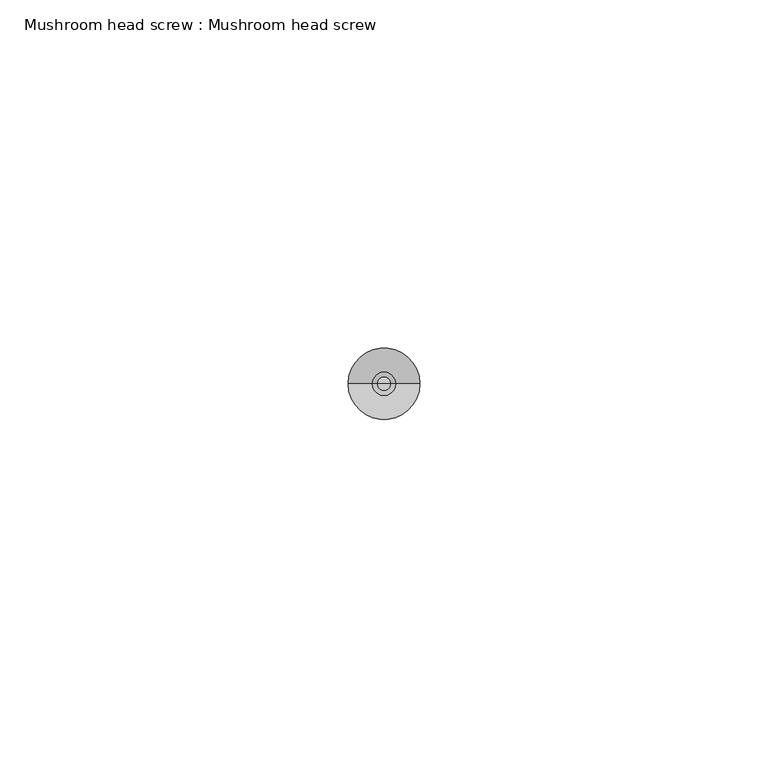
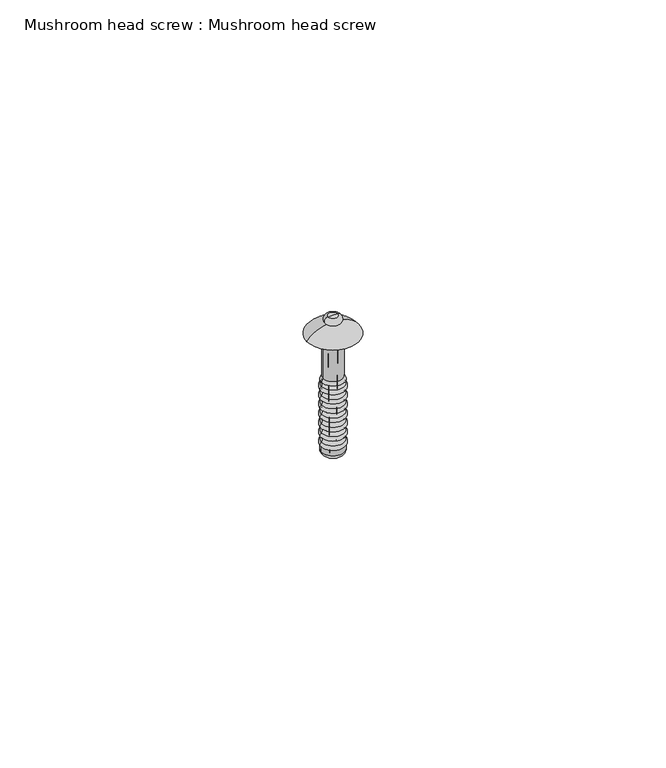
"""IFC4 building model written with IfcOpenShell, lengths in millimetres: proxy geometry, Mushroom head screw : Mushroom head screw."""

from ifc_helpers import new_model, si_unit, point, frame, origin, place, context, project, spatial, polyline, circle_curve, ellipse_curve, trimmed, source, transform, mapped, element, save
from ifc_brep_helpers import plane_surface, cylinder_surface, revolved_surface, advanced_brep


def mushroom_head_screw_mushroom_head_screw_f8008989(model_context):
    return source(origin(), model_context, "Body", "AdvancedBrep", [
        advanced_brep(
        [(-0.6234922, 0.0, -21.5908837), (0.0, 0.0, -23.6302347), (0.6234922, 0.0, -21.5908837), (-0.8, 0.0, -3.6302347), (0.8, 0.0, -3.6302347), (0.0, 0.0, -3.6302347)],
        [
            (0, 1),
            (1, 2),
            (2, 0, circle_curve(frame((0.0, 0.0, -21.5908837), z_axis=(0.0, 0.0, -1.0), x_axis=(1.0, 0.0, 0.0)), 0.6234922)),
            (0, 2, circle_curve(frame((0.0, 0.0, -21.5908837), z_axis=(0.0, 0.0, -1.0), x_axis=(1.0, 0.0, 0.0)), 0.6234922)),
            (3, 0),
            (2, 4),
            (4, 3, circle_curve(frame((0.0, 0.0, -3.6302347), z_axis=(0.0, 0.0, -1.0), x_axis=(1.0, 0.0, 0.0)), 0.8)),
            (3, 4, circle_curve(frame((0.0, 0.0, -3.6302347), z_axis=(0.0, 0.0, -1.0), x_axis=(1.0, 0.0, 0.0)), 0.8)),
            (5, 3),
            (4, 5),
        ],
        [
            revolved_surface(polyline([(0.0, 0.0, -23.6302347), (0.6234922, 0.0, -21.5908837)]), (0.0, 0.0, 0.0), (0.0, 0.0, 1.0)),
            revolved_surface(polyline([(0.6234922, 0.0, -21.5908837), (0.8, 0.0, -3.6302347)]), (0.0, 0.0, 0.0), (0.0, 0.0, 1.0)),
            plane_surface(frame((0.0, 0.0, -3.6302347), z_axis=(0.0, 0.0, 1.0), x_axis=(1.0, 0.0, 0.0))),
        ],
        [
            (0, [[1, 2, 3]]),
            (0, [[-2, -1, 4]]),
            (1, [[5, -3, 6, 7]]),
            (1, [[-6, -4, -5, 8]]),
            (2, [[9, -7, 10]]),
            (2, [[-10, -8, -9]]),
        ],
    ),
        advanced_brep(
        [(-0.8, 0.0, -3.6302347), (0.0, 0.0, -3.6302347), (0.8, 0.0, -3.6302347), (-0.5191862, 0.0, -25.0013937), (0.5191862, 0.0, -25.0013937), (-1.5191862, 0.0, -25.0013937), (1.5191862, 0.0, -25.0013937), (-2.2649363, 0.0, -24.1435063), (2.2649363, 0.0, -24.1435063), (-2.2649363, 0.0, -23.0427099), (2.2649363, 0.0, -23.0427099), (-2.2649363, 0.0, -22.0638705), (2.2649363, 0.0, -22.0638705), (-2.2649363, 0.0, -21.1029505), (2.2649363, 0.0, -21.1029505), (-2.2649363, 0.0, -20.124111), (2.2649363, 0.0, -20.124111), (-2.2649363, 0.0, -19.163191), (2.2649363, 0.0, -19.163191), (-2.2649363, 0.0, -18.1843516), (2.2649363, 0.0, -18.1843516), (-2.2649363, 0.0, -17.2234316), (2.2649363, 0.0, -17.2234316), (-2.2649363, 0.0, -16.2445921), (2.2649363, 0.0, -16.2445921), (-2.2649363, 0.0, -15.2836722), (2.2649363, 0.0, -15.2836722), (-2.2649363, 0.0, -14.3048327), (2.2649363, 0.0, -14.3048327), (-2.2649363, 0.0, -13.3439127), (2.2649363, 0.0, -13.3439127), (-2.2649363, 0.0, -12.3650733), (2.2649363, 0.0, -12.3650733), (-2.2649363, 0.0, -11.4041533), (2.2649363, 0.0, -11.4041533), (-2.2649363, 0.0, -10.4253138), (2.2649363, 0.0, -10.4253138), (-2.2649363, 0.0, -9.5987495), (2.2649363, 0.0, -9.5987495), (-1.9517118, 0.0, -8.8608387), (1.9517118, 0.0, -8.8608387), (-1.9517118, 0.0, 0.0), (1.9517118, 0.0, 0.0), (-5.1406097, 0.0, 0.0), (5.1406097, 0.0, 0.0), (-0.9249192, 0.0, 2.2317279), (0.9249192, 0.0, 2.2317279), (-1.0, 0.0, 3.6643541), (1.0, 0.0, 3.6643541), (0.0, 0.0, 3.6643541)],
        [
            (0, 1),
            (1, 2),
            (2, 0, circle_curve(frame((0.0, 0.0, -3.6302347), z_axis=(0.0, 0.0, -1.0), x_axis=(1.0, 0.0, 0.0)), 0.8)),
            (0, 2, circle_curve(frame((0.0, 0.0, -3.6302347), z_axis=(0.0, 0.0, -1.0), x_axis=(1.0, 0.0, 0.0)), 0.8)),
            (3, 0),
            (2, 4),
            (4, 3, circle_curve(frame((0.0, 0.0, -25.0013937), z_axis=(0.0, 0.0, -1.0), x_axis=(1.0, 0.0, 0.0)), 0.5191862)),
            (3, 4, circle_curve(frame((0.0, 0.0, -25.0013937), z_axis=(0.0, 0.0, -1.0), x_axis=(1.0, 0.0, 0.0)), 0.5191862)),
            (5, 3),
            (4, 6),
            (6, 5, circle_curve(frame((0.0, 0.0, -25.0013937), z_axis=(0.0, 0.0, -1.0), x_axis=(1.0, 0.0, 0.0)), 1.5191862)),
            (5, 6, circle_curve(frame((0.0, 0.0, -25.0013937), z_axis=(0.0, 0.0, -1.0), x_axis=(1.0, 0.0, 0.0)), 1.5191862)),
            (7, 5, circle_curve(frame((-1.398618, 0.0, -24.1435063), z_axis=(0.0, -1.0, 0.0), x_axis=(-1.0, 0.0, 0.0)), 0.8663184)),
            (6, 8, circle_curve(frame((1.398618, 0.0, -24.1435063), z_axis=(0.0, -1.0, 0.0), x_axis=(1.0, 0.0, 0.0)), 0.8663184)),
            (8, 7, circle_curve(frame((0.0, 0.0, -24.1435063), z_axis=(0.0, 0.0, -1.0), x_axis=(1.0, 0.0, 0.0)), 2.2649363)),
            (7, 8, circle_curve(frame((0.0, 0.0, -24.1435063), z_axis=(0.0, 0.0, -1.0), x_axis=(1.0, 0.0, 0.0)), 2.2649363)),
            (9, 7),
            (8, 10),
            (10, 9, circle_curve(frame((0.0, 0.0, -23.0427099), z_axis=(0.0, 0.0, -1.0), x_axis=(1.0, 0.0, 0.0)), 2.2649363)),
            (9, 10, circle_curve(frame((0.0, 0.0, -23.0427099), z_axis=(0.0, 0.0, -1.0), x_axis=(1.0, 0.0, 0.0)), 2.2649363)),
            (11, 9, circle_curve(frame((-1.8254841, 0.0, -22.5532902), z_axis=(0.0, -1.0, 0.0), x_axis=(-1.0, 0.0, 0.0)), 0.6577613)),
            (10, 12, circle_curve(frame((1.8254841, 0.0, -22.5532902), z_axis=(0.0, -1.0, 0.0), x_axis=(1.0, 0.0, 0.0)), 0.6577613)),
            (12, 11, circle_curve(frame((0.0, 0.0, -22.0638705), z_axis=(0.0, 0.0, -1.0), x_axis=(1.0, 0.0, 0.0)), 2.2649363)),
            (11, 12, circle_curve(frame((0.0, 0.0, -22.0638705), z_axis=(0.0, 0.0, -1.0), x_axis=(1.0, 0.0, 0.0)), 2.2649363)),
            (13, 11, circle_curve(frame((-2.6963436, 0.0, -21.5834105), z_axis=(0.0, 1.0, 0.0), x_axis=(-1.0, 0.0, 0.0)), 0.6457198)),
            (12, 14, circle_curve(frame((2.6963436, 0.0, -21.5834105), z_axis=(0.0, 1.0, 0.0), x_axis=(1.0, 0.0, 0.0)), 0.6457198)),
            (14, 13, circle_curve(frame((0.0, 0.0, -21.1029505), z_axis=(0.0, 0.0, -1.0), x_axis=(1.0, 0.0, 0.0)), 2.2649363)),
            (13, 14, circle_curve(frame((0.0, 0.0, -21.1029505), z_axis=(0.0, 0.0, -1.0), x_axis=(1.0, 0.0, 0.0)), 2.2649363)),
            (15, 13, circle_curve(frame((-1.8254841, 0.0, -20.6135308), z_axis=(0.0, -1.0, 0.0), x_axis=(-1.0, 0.0, 0.0)), 0.6577613)),
            (14, 16, circle_curve(frame((1.8254841, 0.0, -20.6135308), z_axis=(0.0, -1.0, 0.0), x_axis=(1.0, 0.0, 0.0)), 0.6577613)),
            (16, 15, circle_curve(frame((0.0, 0.0, -20.124111), z_axis=(0.0, 0.0, -1.0), x_axis=(1.0, 0.0, 0.0)), 2.2649363)),
            (15, 16, circle_curve(frame((0.0, 0.0, -20.124111), z_axis=(0.0, 0.0, -1.0), x_axis=(1.0, 0.0, 0.0)), 2.2649363)),
            (17, 15, circle_curve(frame((-2.6963436, 0.0, -19.643651), z_axis=(0.0, 1.0, 0.0), x_axis=(-1.0, 0.0, 0.0)), 0.6457198)),
            (16, 18, circle_curve(frame((2.6963436, 0.0, -19.643651), z_axis=(0.0, 1.0, 0.0), x_axis=(1.0, 0.0, 0.0)), 0.6457198)),
            (18, 17, circle_curve(frame((0.0, 0.0, -19.163191), z_axis=(0.0, 0.0, -1.0), x_axis=(1.0, 0.0, 0.0)), 2.2649363)),
            (17, 18, circle_curve(frame((0.0, 0.0, -19.163191), z_axis=(0.0, 0.0, -1.0), x_axis=(1.0, 0.0, 0.0)), 2.2649363)),
            (19, 17, circle_curve(frame((-1.8254841, 0.0, -18.6737713), z_axis=(0.0, -1.0, 0.0), x_axis=(-1.0, 0.0, 0.0)), 0.6577613)),
            (18, 20, circle_curve(frame((1.8254841, 0.0, -18.6737713), z_axis=(0.0, -1.0, 0.0), x_axis=(1.0, 0.0, 0.0)), 0.6577613)),
            (20, 19, circle_curve(frame((0.0, 0.0, -18.1843516), z_axis=(0.0, 0.0, -1.0), x_axis=(1.0, 0.0, 0.0)), 2.2649363)),
            (19, 20, circle_curve(frame((0.0, 0.0, -18.1843516), z_axis=(0.0, 0.0, -1.0), x_axis=(1.0, 0.0, 0.0)), 2.2649363)),
            (21, 19, circle_curve(frame((-2.6963436, 0.0, -17.7038916), z_axis=(0.0, 1.0, 0.0), x_axis=(-1.0, 0.0, 0.0)), 0.6457198)),
            (20, 22, circle_curve(frame((2.6963436, 0.0, -17.7038916), z_axis=(0.0, 1.0, 0.0), x_axis=(1.0, 0.0, 0.0)), 0.6457198)),
            (22, 21, circle_curve(frame((0.0, 0.0, -17.2234316), z_axis=(0.0, 0.0, -1.0), x_axis=(1.0, 0.0, 0.0)), 2.2649363)),
            (21, 22, circle_curve(frame((0.0, 0.0, -17.2234316), z_axis=(0.0, 0.0, -1.0), x_axis=(1.0, 0.0, 0.0)), 2.2649363)),
            (23, 21, circle_curve(frame((-1.8254841, 0.0, -16.7340119), z_axis=(0.0, -1.0, 0.0), x_axis=(-1.0, 0.0, 0.0)), 0.6577613)),
            (22, 24, circle_curve(frame((1.8254841, 0.0, -16.7340119), z_axis=(0.0, -1.0, 0.0), x_axis=(1.0, 0.0, 0.0)), 0.6577613)),
            (24, 23, circle_curve(frame((0.0, 0.0, -16.2445921), z_axis=(0.0, 0.0, -1.0), x_axis=(1.0, 0.0, 0.0)), 2.2649363)),
            (23, 24, circle_curve(frame((0.0, 0.0, -16.2445921), z_axis=(0.0, 0.0, -1.0), x_axis=(1.0, 0.0, 0.0)), 2.2649363)),
            (25, 23, circle_curve(frame((-2.6963436, 0.0, -15.7641321), z_axis=(0.0, 1.0, 0.0), x_axis=(-1.0, 0.0, 0.0)), 0.6457198)),
            (24, 26, circle_curve(frame((2.6963436, 0.0, -15.7641321), z_axis=(0.0, 1.0, 0.0), x_axis=(1.0, 0.0, 0.0)), 0.6457198)),
            (26, 25, circle_curve(frame((0.0, 0.0, -15.2836722), z_axis=(0.0, 0.0, -1.0), x_axis=(1.0, 0.0, 0.0)), 2.2649363)),
            (25, 26, circle_curve(frame((0.0, 0.0, -15.2836722), z_axis=(0.0, 0.0, -1.0), x_axis=(1.0, 0.0, 0.0)), 2.2649363)),
            (27, 25, circle_curve(frame((-1.8254841, 0.0, -14.7942524), z_axis=(0.0, -1.0, 0.0), x_axis=(-1.0, 0.0, 0.0)), 0.6577613)),
            (26, 28, circle_curve(frame((1.8254841, 0.0, -14.7942524), z_axis=(0.0, -1.0, 0.0), x_axis=(1.0, 0.0, 0.0)), 0.6577613)),
            (28, 27, circle_curve(frame((0.0, 0.0, -14.3048327), z_axis=(0.0, 0.0, -1.0), x_axis=(1.0, 0.0, 0.0)), 2.2649363)),
            (27, 28, circle_curve(frame((0.0, 0.0, -14.3048327), z_axis=(0.0, 0.0, -1.0), x_axis=(1.0, 0.0, 0.0)), 2.2649363)),
            (29, 27, circle_curve(frame((-2.6963436, 0.0, -13.8243727), z_axis=(0.0, 1.0, 0.0), x_axis=(-1.0, 0.0, 0.0)), 0.6457198)),
            (28, 30, circle_curve(frame((2.6963436, 0.0, -13.8243727), z_axis=(0.0, 1.0, 0.0), x_axis=(1.0, 0.0, 0.0)), 0.6457198)),
            (30, 29, circle_curve(frame((0.0, 0.0, -13.3439127), z_axis=(0.0, 0.0, -1.0), x_axis=(1.0, 0.0, 0.0)), 2.2649363)),
            (29, 30, circle_curve(frame((0.0, 0.0, -13.3439127), z_axis=(0.0, 0.0, -1.0), x_axis=(1.0, 0.0, 0.0)), 2.2649363)),
            (31, 29, circle_curve(frame((-1.8254841, 0.0, -12.854493), z_axis=(0.0, -1.0, 0.0), x_axis=(-1.0, 0.0, 0.0)), 0.6577613)),
            (30, 32, circle_curve(frame((1.8254841, 0.0, -12.854493), z_axis=(0.0, -1.0, 0.0), x_axis=(1.0, 0.0, 0.0)), 0.6577613)),
            (32, 31, circle_curve(frame((0.0, 0.0, -12.3650733), z_axis=(0.0, 0.0, -1.0), x_axis=(1.0, 0.0, 0.0)), 2.2649363)),
            (31, 32, circle_curve(frame((0.0, 0.0, -12.3650733), z_axis=(0.0, 0.0, -1.0), x_axis=(1.0, 0.0, 0.0)), 2.2649363)),
            (33, 31, circle_curve(frame((-2.6963436, 0.0, -11.8846133), z_axis=(0.0, 1.0, 0.0), x_axis=(-1.0, 0.0, 0.0)), 0.6457198)),
            (32, 34, circle_curve(frame((2.6963436, 0.0, -11.8846133), z_axis=(0.0, 1.0, 0.0), x_axis=(1.0, 0.0, 0.0)), 0.6457198)),
            (34, 33, circle_curve(frame((0.0, 0.0, -11.4041533), z_axis=(0.0, 0.0, -1.0), x_axis=(1.0, 0.0, 0.0)), 2.2649363)),
            (33, 34, circle_curve(frame((0.0, 0.0, -11.4041533), z_axis=(0.0, 0.0, -1.0), x_axis=(1.0, 0.0, 0.0)), 2.2649363)),
            (35, 33, circle_curve(frame((-1.8254841, 0.0, -10.9147335), z_axis=(0.0, -1.0, 0.0), x_axis=(-1.0, 0.0, 0.0)), 0.6577613)),
            (34, 36, circle_curve(frame((1.8254841, 0.0, -10.9147335), z_axis=(0.0, -1.0, 0.0), x_axis=(1.0, 0.0, 0.0)), 0.6577613)),
            (36, 35, circle_curve(frame((0.0, 0.0, -10.4253138), z_axis=(0.0, 0.0, -1.0), x_axis=(1.0, 0.0, 0.0)), 2.2649363)),
            (35, 36, circle_curve(frame((0.0, 0.0, -10.4253138), z_axis=(0.0, 0.0, -1.0), x_axis=(1.0, 0.0, 0.0)), 2.2649363)),
            (37, 35, circle_curve(frame((-2.6360243, 0.0, -10.0120317), z_axis=(0.0, 1.0, 0.0), x_axis=(-1.0, 0.0, 0.0)), 0.5554354)),
            (36, 38, circle_curve(frame((2.6360243, 0.0, -10.0120317), z_axis=(0.0, 1.0, 0.0), x_axis=(1.0, 0.0, 0.0)), 0.5554354)),
            (38, 37, circle_curve(frame((0.0, 0.0, -9.5987495), z_axis=(0.0, 0.0, -1.0), x_axis=(1.0, 0.0, 0.0)), 2.2649363)),
            (37, 38, circle_curve(frame((0.0, 0.0, -9.5987495), z_axis=(0.0, 0.0, -1.0), x_axis=(1.0, 0.0, 0.0)), 2.2649363)),
            (39, 37),
            (38, 40),
            (40, 39, circle_curve(frame((0.0, 0.0, -8.8608387), z_axis=(0.0, 0.0, -1.0), x_axis=(1.0, 0.0, 0.0)), 1.9517118)),
            (39, 40, circle_curve(frame((0.0, 0.0, -8.8608387), z_axis=(0.0, 0.0, -1.0), x_axis=(1.0, 0.0, 0.0)), 1.9517118)),
            (41, 39),
            (40, 42),
            (42, 41, circle_curve(frame((0.0, 0.0, 0.0), z_axis=(0.0, 0.0, -1.0), x_axis=(1.0, 0.0, 0.0)), 1.9517118)),
            (41, 42, circle_curve(frame((0.0, 0.0, 0.0), z_axis=(0.0, 0.0, -1.0), x_axis=(1.0, 0.0, 0.0)), 1.9517118)),
            (43, 41),
            (42, 44),
            (44, 43, circle_curve(frame((0.0, 0.0, 0.0), z_axis=(0.0, 0.0, -1.0), x_axis=(1.0, 0.0, 0.0)), 5.1406097)),
            (43, 44, circle_curve(frame((0.0, 0.0, 0.0), z_axis=(0.0, 0.0, -1.0), x_axis=(1.0, 0.0, 0.0)), 5.1406097)),
            (45, 43, circle_curve(frame((-0.7727863, 0.0, -3.1531906), z_axis=(0.0, -1.0, 0.0), x_axis=(-1.0, 0.0, 0.0)), 5.3870671)),
            (44, 46, circle_curve(frame((0.7727863, 0.0, -3.1531906), z_axis=(0.0, -1.0, 0.0), x_axis=(1.0, 0.0, 0.0)), 5.3870671)),
            (46, 45, circle_curve(frame((0.0, 0.0, 2.2317279), z_axis=(0.0, 0.0, -1.0), x_axis=(1.0, 0.0, 0.0)), 0.9249192)),
            (45, 46, circle_curve(frame((0.0, 0.0, 2.2317279), z_axis=(0.0, 0.0, -1.0), x_axis=(1.0, 0.0, 0.0)), 0.9249192)),
            (47, 45, circle_curve(frame((-0.9451819, 0.0, 2.9489465), z_axis=(0.0, -1.0, 0.0), x_axis=(-1.0, 0.0, 0.0)), 0.7175048)),
            (46, 48, circle_curve(frame((0.9451819, 0.0, 2.9489465), z_axis=(0.0, -1.0, 0.0), x_axis=(1.0, 0.0, 0.0)), 0.7175048)),
            (48, 47, circle_curve(frame((0.0, 0.0, 3.6643541), z_axis=(0.0, 0.0, -1.0), x_axis=(1.0, 0.0, 0.0)), 1.0)),
            (47, 48, circle_curve(frame((0.0, 0.0, 3.6643541), z_axis=(0.0, 0.0, -1.0), x_axis=(1.0, 0.0, 0.0)), 1.0)),
            (49, 47),
            (48, 49),
        ],
        [
            plane_surface(frame((0.0, 0.0, -3.6302347), z_axis=(0.0, 0.0, -1.0), x_axis=(1.0, 0.0, 0.0))),
            revolved_surface(polyline([(0.8, 0.0, -3.6302347), (0.5191862, 0.0, -25.0013937)]), (0.0, 0.0, 3.6643541), (0.0, 0.0, 1.0)),
            plane_surface(frame((0.0, 0.0, -25.0013937), z_axis=(0.0, 0.0, -1.0), x_axis=(1.0, 0.0, 0.0))),
            revolved_surface(trimmed(ellipse_curve(frame((1.398618, 0.0, -24.1435063), z_axis=(0.0, -1.0, 0.0), x_axis=(1.0, 0.0, 0.0)), 0.8663184, 0.8663184), [point((1.5191862, 0.0, -25.0013937))], [point((2.2649363, 0.0, -24.1435063))], True, "CARTESIAN"), (0.0, 0.0, 3.6643541), (0.0, 0.0, 1.0)),
            cylinder_surface(frame((0.0, 0.0, 3.6643541), z_axis=(0.0, 0.0, 1.0), x_axis=(1.0, 0.0, 0.0)), 2.2649363),
            revolved_surface(trimmed(ellipse_curve(frame((1.8254841, 0.0, -22.5532902), z_axis=(0.0, -1.0, 0.0), x_axis=(1.0, 0.0, 0.0)), 0.6577613, 0.6577613), [point((2.2649363, 0.0, -23.0427099))], [point((2.2649363, 0.0, -22.0638705))], True, "CARTESIAN"), (0.0, 0.0, 3.6643541), (0.0, 0.0, 1.0)),
            revolved_surface(trimmed(ellipse_curve(frame((2.6963436, 0.0, -21.5834105), z_axis=(0.0, 1.0, 0.0), x_axis=(1.0, 0.0, 0.0)), 0.6457198, 0.6457198), [point((2.2649363, 0.0, -22.0638705))], [point((2.2649363, 0.0, -21.1029505))], True, "CARTESIAN"), (0.0, 0.0, 3.6643541), (0.0, 0.0, 1.0)),
            revolved_surface(trimmed(ellipse_curve(frame((1.8254841, 0.0, -20.6135308), z_axis=(0.0, -1.0, 0.0), x_axis=(1.0, 0.0, 0.0)), 0.6577613, 0.6577613), [point((2.2649363, 0.0, -21.1029505))], [point((2.2649363, 0.0, -20.124111))], True, "CARTESIAN"), (0.0, 0.0, 3.6643541), (0.0, 0.0, 1.0)),
            revolved_surface(trimmed(ellipse_curve(frame((2.6963436, 0.0, -19.643651), z_axis=(0.0, 1.0, 0.0), x_axis=(1.0, 0.0, 0.0)), 0.6457198, 0.6457198), [point((2.2649363, 0.0, -20.124111))], [point((2.2649363, 0.0, -19.163191))], True, "CARTESIAN"), (0.0, 0.0, 3.6643541), (0.0, 0.0, 1.0)),
            revolved_surface(trimmed(ellipse_curve(frame((1.8254841, 0.0, -18.6737713), z_axis=(0.0, -1.0, 0.0), x_axis=(1.0, 0.0, 0.0)), 0.6577613, 0.6577613), [point((2.2649363, 0.0, -19.163191))], [point((2.2649363, 0.0, -18.1843516))], True, "CARTESIAN"), (0.0, 0.0, 3.6643541), (0.0, 0.0, 1.0)),
            revolved_surface(trimmed(ellipse_curve(frame((2.6963436, 0.0, -17.7038916), z_axis=(0.0, 1.0, 0.0), x_axis=(1.0, 0.0, 0.0)), 0.6457198, 0.6457198), [point((2.2649363, 0.0, -18.1843516))], [point((2.2649363, 0.0, -17.2234316))], True, "CARTESIAN"), (0.0, 0.0, 3.6643541), (0.0, 0.0, 1.0)),
            revolved_surface(trimmed(ellipse_curve(frame((1.8254841, 0.0, -16.7340119), z_axis=(0.0, -1.0, 0.0), x_axis=(1.0, 0.0, 0.0)), 0.6577613, 0.6577613), [point((2.2649363, 0.0, -17.2234316))], [point((2.2649363, 0.0, -16.2445921))], True, "CARTESIAN"), (0.0, 0.0, 3.6643541), (0.0, 0.0, 1.0)),
            revolved_surface(trimmed(ellipse_curve(frame((2.6963436, 0.0, -15.7641321), z_axis=(0.0, 1.0, 0.0), x_axis=(1.0, 0.0, 0.0)), 0.6457198, 0.6457198), [point((2.2649363, 0.0, -16.2445921))], [point((2.2649363, 0.0, -15.2836722))], True, "CARTESIAN"), (0.0, 0.0, 3.6643541), (0.0, 0.0, 1.0)),
            revolved_surface(trimmed(ellipse_curve(frame((1.8254841, 0.0, -14.7942524), z_axis=(0.0, -1.0, 0.0), x_axis=(1.0, 0.0, 0.0)), 0.6577613, 0.6577613), [point((2.2649363, 0.0, -15.2836722))], [point((2.2649363, 0.0, -14.3048327))], True, "CARTESIAN"), (0.0, 0.0, 3.6643541), (0.0, 0.0, 1.0)),
            revolved_surface(trimmed(ellipse_curve(frame((2.6963436, 0.0, -13.8243727), z_axis=(0.0, 1.0, 0.0), x_axis=(1.0, 0.0, 0.0)), 0.6457198, 0.6457198), [point((2.2649363, 0.0, -14.3048327))], [point((2.2649363, 0.0, -13.3439127))], True, "CARTESIAN"), (0.0, 0.0, 3.6643541), (0.0, 0.0, 1.0)),
            revolved_surface(trimmed(ellipse_curve(frame((1.8254841, 0.0, -12.854493), z_axis=(0.0, -1.0, 0.0), x_axis=(1.0, 0.0, 0.0)), 0.6577613, 0.6577613), [point((2.2649363, 0.0, -13.3439127))], [point((2.2649363, 0.0, -12.3650733))], True, "CARTESIAN"), (0.0, 0.0, 3.6643541), (0.0, 0.0, 1.0)),
            revolved_surface(trimmed(ellipse_curve(frame((2.6963436, 0.0, -11.8846133), z_axis=(0.0, 1.0, 0.0), x_axis=(1.0, 0.0, 0.0)), 0.6457198, 0.6457198), [point((2.2649363, 0.0, -12.3650733))], [point((2.2649363, 0.0, -11.4041533))], True, "CARTESIAN"), (0.0, 0.0, 3.6643541), (0.0, 0.0, 1.0)),
            revolved_surface(trimmed(ellipse_curve(frame((1.8254841, 0.0, -10.9147335), z_axis=(0.0, -1.0, 0.0), x_axis=(1.0, 0.0, 0.0)), 0.6577613, 0.6577613), [point((2.2649363, 0.0, -11.4041533))], [point((2.2649363, 0.0, -10.4253138))], True, "CARTESIAN"), (0.0, 0.0, 3.6643541), (0.0, 0.0, 1.0)),
            revolved_surface(trimmed(ellipse_curve(frame((2.6360243, 0.0, -10.0120317), z_axis=(0.0, 1.0, 0.0), x_axis=(1.0, 0.0, 0.0)), 0.5554354, 0.5554354), [point((2.2649363, 0.0, -10.4253138))], [point((2.2649363, 0.0, -9.5987495))], True, "CARTESIAN"), (0.0, 0.0, 3.6643541), (0.0, 0.0, 1.0)),
            revolved_surface(polyline([(2.2649363, 0.0, -9.5987495), (1.9517118, 0.0, -8.8608387)]), (0.0, 0.0, 3.6643541), (0.0, 0.0, 1.0)),
            cylinder_surface(frame((0.0, 0.0, 3.6643541), z_axis=(0.0, 0.0, 1.0), x_axis=(1.0, 0.0, 0.0)), 1.9517118),
            plane_surface(frame((0.0, 0.0, 0.0), z_axis=(0.0, 0.0, -1.0), x_axis=(1.0, 0.0, 0.0))),
            revolved_surface(trimmed(ellipse_curve(frame((0.7727863, 0.0, -3.1531906), z_axis=(0.0, -1.0, 0.0), x_axis=(1.0, 0.0, 0.0)), 5.3870671, 5.3870671), [point((5.1406097, 0.0, 0.0))], [point((0.9249192, 0.0, 2.2317279))], True, "CARTESIAN"), (0.0, 0.0, 3.6643541), (0.0, 0.0, 1.0)),
            revolved_surface(trimmed(ellipse_curve(frame((0.9451819, 0.0, 2.9489465), z_axis=(0.0, -1.0, 0.0), x_axis=(1.0, 0.0, 0.0)), 0.7175048, 0.7175048), [point((0.9249192, 0.0, 2.2317279))], [point((1.0, 0.0, 3.6643541))], True, "CARTESIAN"), (0.0, 0.0, 3.6643541), (0.0, 0.0, 1.0)),
            plane_surface(frame((0.0, 0.0, 3.6643541), z_axis=(0.0, 0.0, 1.0), x_axis=(1.0, 0.0, 0.0))),
        ],
        [
            (0, [[1, 2, 3]]),
            (0, [[-2, -1, 4]]),
            (1, [[5, -3, 6, 7]]),
            (1, [[-6, -4, -5, 8]]),
            (2, [[9, -7, 10, 11]]),
            (2, [[-10, -8, -9, 12]]),
            (3, [[13, -11, 14, 15]]),
            (3, [[-14, -12, -13, 16]]),
            (4, [[17, -15, 18, 19]]),
            (4, [[-18, -16, -17, 20]]),
            (5, [[21, -19, 22, 23]]),
            (5, [[-22, -20, -21, 24]]),
            (6, [[25, -23, 26, 27]]),
            (6, [[-26, -24, -25, 28]]),
            (7, [[29, -27, 30, 31]]),
            (7, [[-30, -28, -29, 32]]),
            (8, [[33, -31, 34, 35]]),
            (8, [[-34, -32, -33, 36]]),
            (9, [[37, -35, 38, 39]]),
            (9, [[-38, -36, -37, 40]]),
            (10, [[41, -39, 42, 43]]),
            (10, [[-42, -40, -41, 44]]),
            (11, [[45, -43, 46, 47]]),
            (11, [[-46, -44, -45, 48]]),
            (12, [[49, -47, 50, 51]]),
            (12, [[-50, -48, -49, 52]]),
            (13, [[53, -51, 54, 55]]),
            (13, [[-54, -52, -53, 56]]),
            (14, [[57, -55, 58, 59]]),
            (14, [[-58, -56, -57, 60]]),
            (15, [[61, -59, 62, 63]]),
            (15, [[-62, -60, -61, 64]]),
            (16, [[65, -63, 66, 67]]),
            (16, [[-66, -64, -65, 68]]),
            (17, [[69, -67, 70, 71]]),
            (17, [[-70, -68, -69, 72]]),
            (18, [[73, -71, 74, 75]]),
            (18, [[-74, -72, -73, 76]]),
            (19, [[77, -75, 78, 79]]),
            (19, [[-78, -76, -77, 80]]),
            (20, [[81, -79, 82, 83]]),
            (20, [[-82, -80, -81, 84]]),
            (21, [[85, -83, 86, 87]]),
            (21, [[-86, -84, -85, 88]]),
            (22, [[89, -87, 90, 91]]),
            (22, [[-90, -88, -89, 92]]),
            (23, [[93, -91, 94, 95]]),
            (23, [[-94, -92, -93, 96]]),
            (24, [[97, -95, 98]]),
            (24, [[-98, -96, -97]]),
        ],
    ),
    ])


if __name__ == "__main__":
    model = new_model("IFC4")
    model_context = context("Model", 3, world=origin())
    ifc_project = project(units=[si_unit("LENGTHUNIT", "METRE", prefix="MILLI")], contexts=[model_context])
    site = spatial("IfcSite", under=ifc_project)
    building = spatial("IfcBuilding", under=site)
    placement = place(None, origin())
    mushroom_head_screw_mushroom_head_screw_shape = mushroom_head_screw_mushroom_head_screw_f8008989(model_context)
    element("IfcBuildingElementProxy", 1, Name="Mushroom head screw : Mushroom head screw", ObjectType="Mushroom head screw : Mushroom head screw", at=placement, inside=building, context=model_context, shape_type="MappedRepresentation", body=[
        mapped(mushroom_head_screw_mushroom_head_screw_shape, transform((0.0, 0.0, 0.0), x_axis=(1.0, 0.0, 0.0), y_axis=(0.0, 1.0, 0.0), z_axis=(0.0, 0.0, 1.0))),
    ])
    save(model, "model.ifc")
